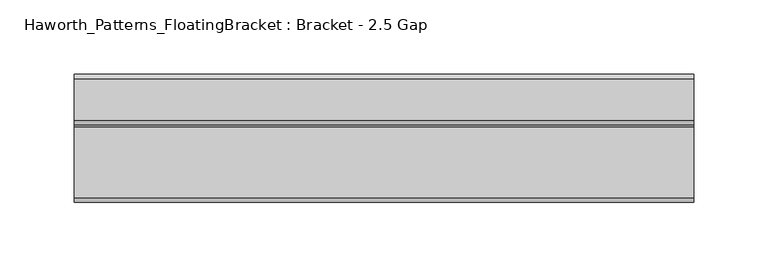
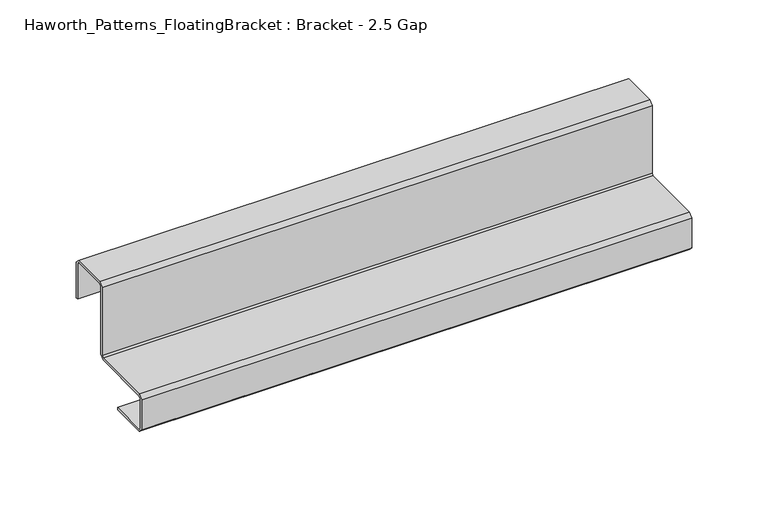
"""IFC4 building model written with IfcOpenShell, lengths in millimetres: furniture geometry, Haworth_Patterns_FloatingBracket : Bracket - 2.5 Gap."""

from ifc_helpers import new_model, si_unit, frame, origin, place, context, project, spatial, polyline, outline, extrude, source, transform, mapped, element, save


def haworth_patterns_floatingbracket_bracket_2_5_gap_b437845f(model_context):
    return source(origin(), model_context, "Body", "SweptSolid", [
        extrude(outline(polyline([(84.1938562, 704.9528484), (84.1938562, 676.2750242), (82.3721977, 676.2750242), (82.3721977, 704.9262369), (81.102199, 706.1962357), (53.4162526, 706.1962357), (52.1461993, 704.9261824), (52.1461993, 650.7559227), (49.0474014, 647.6571247), (1.2699806, 647.6571247), (0.0, 646.3871441), (0.0, 622.5214691), (1.2700001, 621.251469), (29.9212001, 621.251469), (29.9212001, 619.4226562), (1.2699934, 619.4226562), (-1.8288, 622.5214497), (-1.8288, 646.3871374), (1.2700001, 649.4859375), (49.0474195, 649.4859375), (50.3174002, 650.7559181), (50.3174002, 704.9261116), (53.4162885, 708.025), (81.1217047, 708.025), (84.1938562, 704.9528484)])), frame((-208.2601563, 0.0, 0.0), z_axis=(1.0, 0.0, 0.0), x_axis=(0.0, 1.0, 0.0)), (0.0, 0.0, 1.0), 416.5203125),
    ])


if __name__ == "__main__":
    model = new_model("IFC4")
    model_context = context("Model", 3, world=origin())
    ifc_project = project(units=[si_unit("LENGTHUNIT", "METRE", prefix="MILLI")], contexts=[model_context])
    site = spatial("IfcSite", under=ifc_project)
    building = spatial("IfcBuilding", under=site)
    placement = place(None, origin())
    haworth_patterns_floatingbracket_bracket_2_5_gap_shape = haworth_patterns_floatingbracket_bracket_2_5_gap_b437845f(model_context)
    element("IfcFurniture", 1, ObjectType="Haworth_Patterns_FloatingBracket : Bracket - 2.5 Gap", at=placement, inside=building, context=model_context, shape_type="MappedRepresentation", body=[
        mapped(haworth_patterns_floatingbracket_bracket_2_5_gap_shape, transform((0.0, 0.0, 0.0), x_axis=(1.0, 0.0, 0.0), y_axis=(0.0, 1.0, 0.0), z_axis=(0.0, 0.0, 1.0))),
    ])
    save(model, "model.ifc")
